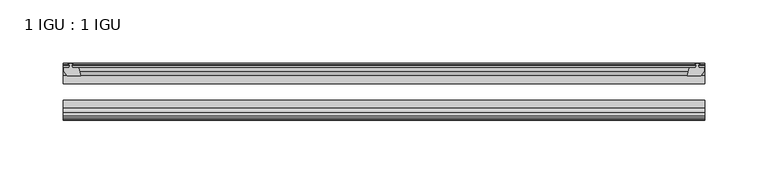
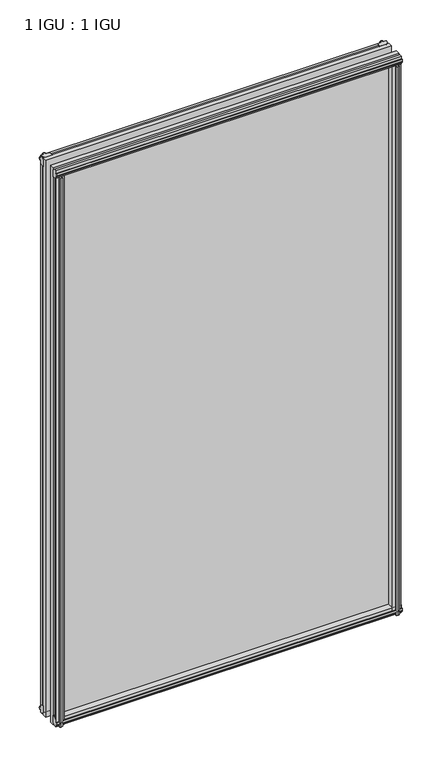
"""IFC4 building model written with IfcOpenShell, lengths in millimetres: plate geometry, 1 IGU : 1 IGU."""

from ifc_helpers import new_model, si_unit, frame, origin, place, context, project, spatial, polyline, outline, extrude, source, transform, mapped, element, save


def plate_1_igu_1_igu_1c2e6ef4(model_context):
    return source(origin(), model_context, "Body", "SweptSolid", [
        extrude(outline(polyline([(245.512276, -10.4746158), (247.689805, -9.7670938), (249.8673341, -10.4746158), (249.8673341, -11.27583), (248.451805, -10.8158968), (248.832805, -13.1960938), (253.277805, -13.1960938), (253.277805, -16.1424938), (250.4434628, -19.5460938), (239.6220869, -19.5460938), (241.339805, -13.1960938), (246.546805, -13.1960938), (246.927805, -10.8158968), (245.512276, -11.27583), (245.512276, -10.4746158)])), frame((0.0, 0.0, -12.4587), z_axis=(0.0, 0.0, 1.0), x_axis=(1.0, 0.0, 0.0)), (0.0, 0.0, 1.0), 863.1174),
        extrude(outline(polyline([(-247.689805, -9.7670937), (-245.512276, -10.4746158), (-245.512276, -11.27583), (-246.927805, -10.8158968), (-246.546805, -13.1960937), (-241.339805, -13.1960937), (-239.6220869, -19.5460937), (-250.4434628, -19.5460937), (-253.277805, -16.1424937), (-253.277805, -13.1960937), (-248.832805, -13.1960937), (-248.451805, -10.8158968), (-249.8673341, -11.27583), (-249.8673341, -10.4746158), (-247.689805, -9.7670937)])), frame((0.0, 0.0, -12.4587), z_axis=(0.0, 0.0, 1.0), x_axis=(1.0, 0.0, 0.0)), (0.0, 0.0, 1.0), 863.1174),
        extrude(outline(polyline([(239.1046889, -44.9460938), (249.9260648, -44.9460938), (252.760407, -48.3496938), (252.760407, -51.2960938), (248.315407, -51.2960938), (247.934407, -53.6762907), (249.349936, -53.2163575), (249.349936, -54.0175717), (247.172407, -54.7250938), (244.9948779, -54.0175717), (244.9948779, -53.2163575), (246.410407, -53.6762907), (246.029407, -51.2960938), (240.822407, -51.2960938), (239.1046889, -44.9460938)])), frame((0.0, 0.0, -12.4587), z_axis=(0.0, 0.0, 1.0), x_axis=(1.0, 0.0, 0.0)), (0.0, 0.0, 1.0), 850.4174),
        extrude(outline(polyline([(-239.1013869, -44.9460937), (-240.819105, -51.2960937), (-246.026105, -51.2960937), (-246.407105, -53.6762907), (-244.991576, -53.2163575), (-244.991576, -54.0175717), (-247.169105, -54.7250937), (-249.3466341, -54.0175717), (-249.3466341, -53.2163575), (-247.931105, -53.6762907), (-248.312105, -51.2960937), (-252.757105, -51.2960937), (-252.757105, -48.3496937), (-249.9227628, -44.9460937), (-239.1013869, -44.9460937)])), frame((0.0, 0.0, -12.4587), z_axis=(0.0, 0.0, 1.0), x_axis=(1.0, 0.0, 0.0)), (0.0, 0.0, 1.0), 850.4174),
        extrude(outline(polyline([(-10.4746158, -4.6931709), (-9.7670937, -6.8707), (-10.4746158, -9.0482291), (-11.27583, -9.0482291), (-10.8158968, -7.6327), (-13.1960937, -8.0137), (-13.1960937, -12.4587), (-16.1424937, -12.4587), (-19.5460937, -9.6243578), (-19.5460937, 1.1970181), (-13.1960937, -0.5207), (-13.1960937, -5.7277), (-10.8158968, -6.1087), (-11.27583, -4.6931709), (-10.4746158, -4.6931709)])), frame((-253.519105, 0.0, 0.0), z_axis=(1.0, 0.0, 0.0), x_axis=(0.0, 1.0, 0.0)), (0.0, 0.0, 1.0), 507.03821),
        extrude(outline(polyline([(-44.9460937, 1.7177181), (-44.9460937, -9.1036578), (-48.3496937, -11.938), (-51.2960937, -11.938), (-51.2960937, -7.493), (-53.6762907, -7.112), (-53.2163575, -8.5275291), (-54.0175717, -8.5275291), (-54.7250937, -6.35), (-54.0175717, -4.1724709), (-53.2163575, -4.1724709), (-53.6762907, -5.588), (-51.2960937, -5.207), (-51.2960937, 0.0), (-44.9460937, 1.7177181)])), frame((-253.519105, 0.0, 0.0), z_axis=(1.0, 0.0, 0.0), x_axis=(0.0, 1.0, 0.0)), (0.0, 0.0, 1.0), 507.03821),
        extrude(outline(polyline([(-10.8158968, 845.8327), (-11.27583, 847.2482291), (-10.4746158, 847.2482291), (-9.7670937, 845.0707), (-10.4746158, 842.8931709), (-11.27583, 842.8931709), (-10.8158968, 844.3087), (-13.1960937, 843.9277), (-13.1960937, 838.7207), (-19.5460938, 837.0029819), (-19.5460938, 847.8243578), (-16.1424937, 850.6587), (-13.1960937, 850.6587), (-13.1960937, 846.2137), (-10.8158968, 845.8327)])), frame((-253.519105, 0.0, 0.0), z_axis=(1.0, 0.0, 0.0), x_axis=(0.0, 1.0, 0.0)), (0.0, 0.0, 1.0), 507.03821),
        extrude(outline(polyline([(-51.2960937, 850.138), (-48.3496937, 850.138), (-44.9460938, 847.3036578), (-44.9460938, 836.4822819), (-51.2960937, 838.2), (-51.2960937, 843.407), (-53.6762907, 843.788), (-53.2163575, 842.3724709), (-54.0175717, 842.3724709), (-54.7250937, 844.55), (-54.0175717, 846.7275291), (-53.2163575, 846.7275291), (-53.6762907, 845.312), (-51.2960937, 845.693), (-51.2960937, 850.138)])), frame((-253.519105, 0.0, 0.0), z_axis=(1.0, 0.0, 0.0), x_axis=(0.0, 1.0, 0.0)), (0.0, 0.0, 1.0), 507.03821),
        extrude(outline(polyline([(-253.519105, -38.9186738), (253.519105, -38.9186738), (253.519105, -44.9460937), (-253.519105, -44.9460937), (-253.519105, -38.9186738)])), frame((0.0, 0.0, -12.7), z_axis=(0.0, 0.0, 1.0), x_axis=(1.0, 0.0, 0.0)), (0.0, 0.0, 1.0), 863.6),
        extrude(outline(polyline([(-253.519105, -19.5460937), (253.519105, -19.5460937), (253.519105, -25.8960938), (-253.519105, -25.8960938), (-253.519105, -19.5460937)])), frame((0.0, 0.0, -12.7), z_axis=(0.0, 0.0, 1.0), x_axis=(1.0, 0.0, 0.0)), (0.0, 0.0, 1.0), 863.6),
    ])


if __name__ == "__main__":
    model = new_model("IFC4")
    model_context = context("Model", 3, world=origin())
    ifc_project = project(units=[si_unit("LENGTHUNIT", "METRE", prefix="MILLI")], contexts=[model_context])
    site = spatial("IfcSite", under=ifc_project)
    building = spatial("IfcBuilding", under=site)
    placement = place(None, origin())
    plate_1_igu_1_igu_shape = plate_1_igu_1_igu_1c2e6ef4(model_context)
    element("IfcPlate", 1, ObjectType="1 IGU : 1 IGU", at=placement, inside=building, context=model_context, shape_type="MappedRepresentation", body=[
        mapped(plate_1_igu_1_igu_shape, transform((0.0, 0.0, 0.0), x_axis=(1.0, 0.0, 0.0), y_axis=(0.0, 1.0, 0.0), z_axis=(0.0, 0.0, 1.0))),
    ])
    save(model, "model.ifc")
